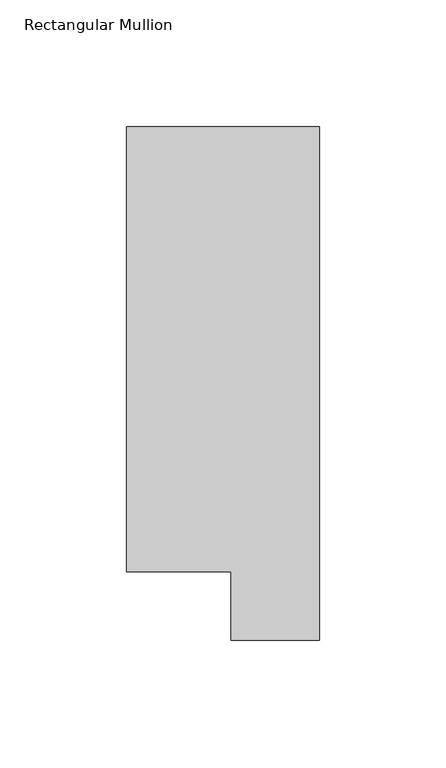
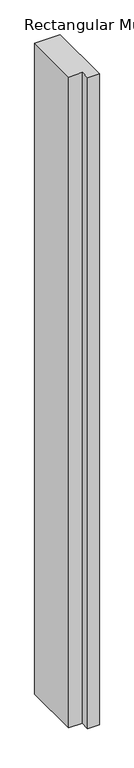
"""IFC4 building model written with IfcOpenShell, lengths in millimetres: member geometry, Rectangular Mullion."""

from ifc_helpers import new_model, si_unit, frame, origin, place, context, project, spatial, polyline, outline, extrude, source, transform, mapped, element, save


def rectangular_mullion_9ae07780(model_context):
    return source(origin(), model_context, "Body", "SweptSolid", [
        extrude(outline(polyline([(0.0, 222.5381312), (0.0, 19.5667312), (-34.9123, 19.5667312), (-34.9123, 46.7447302), (-76.2, 46.7447302), (-76.2, 222.5381312), (0.0, 222.5381312)])), frame((0.0, 0.0, -2057.4), z_axis=(0.0, 0.0, 1.0), x_axis=(1.0, 0.0, 0.0)), (0.0, 0.0, 1.0), 2057.4),
    ])


if __name__ == "__main__":
    model = new_model("IFC4")
    model_context = context("Model", 3, world=origin())
    ifc_project = project(units=[si_unit("LENGTHUNIT", "METRE", prefix="MILLI")], contexts=[model_context])
    site = spatial("IfcSite", under=ifc_project)
    building = spatial("IfcBuilding", under=site)
    placement = place(None, origin())
    rectangular_mullion_shape = rectangular_mullion_9ae07780(model_context)
    element("IfcMember", 1, ObjectType="Rectangular Mullion", at=placement, inside=building, context=model_context, shape_type="MappedRepresentation", body=[
        mapped(rectangular_mullion_shape, transform((0.0, 0.0, 0.0), x_axis=(1.0, 0.0, 0.0), y_axis=(0.0, 1.0, 0.0), z_axis=(0.0, 0.0, 1.0))),
    ])
    save(model, "model.ifc")
